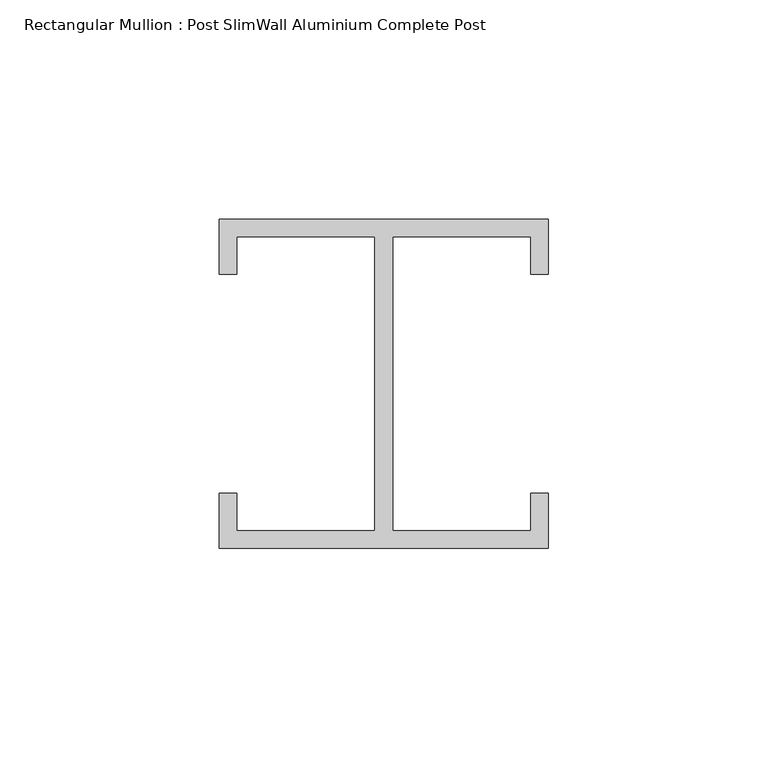
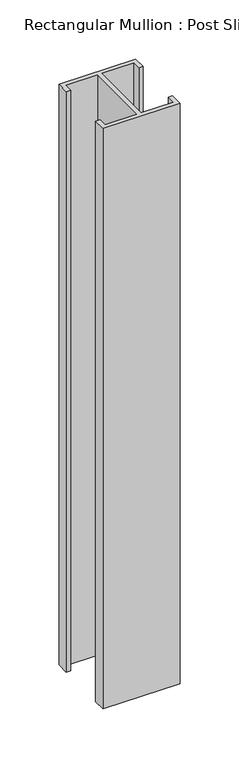
"""IFC4 building model written with IfcOpenShell, lengths in millimetres: member geometry, Rectangular Mullion : Post SlimWall Aluminium Complete Post."""

import ifcopenshell
import ifcopenshell.guid

model = None  # the IFC model being written
_history = None  # IfcOwnerHistory: only IFC2X3 demands one
_inside = {}  # id of a spatial element -> (the spatial element, [elements in it])
_under = {}  # id of a project, library or spatial element -> (it, [spatial elements below it])
_declared = {}  # id of a project -> (the project, [libraries it declares])
_typed = {}  # id of a type object -> (the type object, [elements of that type])
_made_of = {}  # id of a material, layer set ... -> (it, [elements and type objects made of it])


def new_model(schema):
    """Start an empty IFC model of exactly this schema.

    Asked for "IFC4X3", IfcOpenShell would pick the latest addendum, in which some entities
    have other attributes; the version numbers below select the first issue.
    IFC2X3 requires an IfcOwnerHistory on every rooted entity: one is made here for all.
    """
    global model, _history
    if schema == "IFC4X3":
        model = ifcopenshell.file(schema_version=(4, 3, 0, 0))
    else:
        model = ifcopenshell.file(schema=schema)
    _inside.clear()
    _under.clear()
    _declared.clear()
    _typed.clear()
    _made_of.clear()
    _history = None
    if model.schema == "IFC2X3":
        org = make("IfcOrganization", Name="unknown")
        user = make(
            "IfcPersonAndOrganization",
            ThePerson=make("IfcPerson", FamilyName="unknown"),
            TheOrganization=org,
        )
        app = make(
            "IfcApplication",
            ApplicationDeveloper=org,
            Version="unknown",
            ApplicationFullName="unknown",
            ApplicationIdentifier="unknown",
        )
        _history = make(
            "IfcOwnerHistory",
            OwningUser=user,
            OwningApplication=app,
            ChangeAction="ADDED",
            CreationDate=0,
        )
    return model


def make(cls, **values):
    """One entity of the class cls with the attributes given. An attribute that is None is left unset."""
    return model.create_entity(
        cls, **{name: value for name, value in values.items() if value is not None}
    )


def rooted(cls, **values):
    """An entity with a GlobalId (a new one), such as an element, a storey or a relation."""
    return make(cls, GlobalId=ifcopenshell.guid.new(), OwnerHistory=_history, **values)


def si_unit(unit_type, name, prefix=None):
    """IfcSIUnit, for example si_unit("LENGTHUNIT", "METRE", prefix="MILLI")."""
    return make("IfcSIUnit", UnitType=unit_type, Prefix=prefix, Name=name)


def assignment(units):
    """IfcUnitAssignment: the units of a project."""
    return None if units is None else make("IfcUnitAssignment", Units=units)


def point(xyz):
    """IfcCartesianPoint."""
    return None if xyz is None else make("IfcCartesianPoint", Coordinates=xyz)


def direction(xyz):
    """IfcDirection."""
    return None if xyz is None else make("IfcDirection", DirectionRatios=xyz)


def frame(location, z_axis=None, x_axis=None):
    """IfcAxis2Placement3D, a coordinate frame: its origin and axes. An axis left out is left unset."""
    return make(
        "IfcAxis2Placement3D",
        Location=point(location),
        Axis=direction(z_axis),
        RefDirection=direction(x_axis),
    )


def origin():
    """The frame at (0, 0, 0) with its axes left unset."""
    return frame((0.0, 0.0, 0.0))


def place(relative_to, where):
    """IfcLocalPlacement: puts the frame where relative to a parent placement (None: the world)."""
    return make(
        "IfcLocalPlacement", PlacementRelTo=relative_to, RelativePlacement=where
    )


def context(
    kind, dimensions, precision=None, world=None, true_north=None, identifier=None
):
    """IfcGeometricRepresentationContext, for example the 3D "Model" context."""
    return make(
        "IfcGeometricRepresentationContext",
        ContextIdentifier=identifier,
        ContextType=kind,
        CoordinateSpaceDimension=dimensions,
        Precision=precision,
        WorldCoordinateSystem=world,
        TrueNorth=true_north,
    )


def project(units=None, contexts=None):
    """IfcProject with its units and contexts."""
    return rooted(
        "IfcProject",
        Name="project",
        RepresentationContexts=contexts,
        UnitsInContext=assignment(units),
    )


def spatial(cls, under=None, at=None, **own):
    """A site, building, storey or space (cls), placed at a placement, below another one or the project."""
    s = rooted(cls, ObjectPlacement=at, **own)
    if under is not None:
        _under.setdefault(under.id(), (under, []))[1].append(s)
    return s


def polyline(points):
    """IfcPolyline through the points."""
    return make("IfcPolyline", Points=[point(p) for p in points])


def outline(outer, holes=None, kind="AREA"):
    """IfcArbitraryClosedProfileDef: a profile drawn as a closed curve; with holes, ...WithVoids."""
    if holes is None:
        return make("IfcArbitraryClosedProfileDef", ProfileType=kind, OuterCurve=outer)
    return make(
        "IfcArbitraryProfileDefWithVoids",
        ProfileType=kind,
        OuterCurve=outer,
        InnerCurves=holes,
    )


def extrude(swept, where, along, depth):
    """IfcExtrudedAreaSolid: the profile swept, set in the frame where, extruded along a direction by depth."""
    return make(
        "IfcExtrudedAreaSolid",
        SweptArea=swept,
        Position=where,
        ExtrudedDirection=direction(along),
        Depth=depth,
    )


def shape(context_of_items, identifier, shape_type, items):
    """IfcShapeRepresentation: the items that make up one representation, for example the "Body"."""
    return make(
        "IfcShapeRepresentation",
        ContextOfItems=context_of_items,
        RepresentationIdentifier=identifier,
        RepresentationType=shape_type,
        Items=items,
    )


def source(mapping_origin, context_of_items, identifier, shape_type, items):
    """IfcRepresentationMap: a shape defined once, which mapped items show again and again."""
    return make(
        "IfcRepresentationMap",
        MappingOrigin=mapping_origin,
        MappedRepresentation=shape(context_of_items, identifier, shape_type, items),
    )


def transform(
    local_origin,
    x_axis=None,
    y_axis=None,
    z_axis=None,
    scale=None,
    scale2=None,
    scale3=None,
    uniform=True,
):
    """IfcCartesianTransformationOperator3D, or its non-uniform kind. x_axis, y_axis, z_axis: its Axis1, 2, 3."""
    if uniform:
        return make(
            "IfcCartesianTransformationOperator3D",
            Axis1=direction(x_axis),
            Axis2=direction(y_axis),
            LocalOrigin=point(local_origin),
            Scale=scale,
            Axis3=direction(z_axis),
        )
    return make(
        "IfcCartesianTransformationOperator3DnonUniform",
        Axis1=direction(x_axis),
        Axis2=direction(y_axis),
        LocalOrigin=point(local_origin),
        Scale=scale,
        Axis3=direction(z_axis),
        Scale2=scale2,
        Scale3=scale3,
    )


def mapped(mapping_source, mapping_target):
    """IfcMappedItem: shows the shape of a source again, moved by a transform."""
    return make(
        "IfcMappedItem", MappingSource=mapping_source, MappingTarget=mapping_target
    )


def made_of(thing, what):
    """Note that an element or type object is made of a material, layer set ...; save() writes the relation."""
    if what is not None:
        _made_of.setdefault(what.id(), (what, []))[1].append(thing)
    return thing


def element(
    cls,
    number,
    at=None,
    inside=None,
    cuts=None,
    type_object=None,
    material=None,
    context=None,
    identifier="Body",
    shape_type=None,
    held_by="IfcProductDefinitionShape",
    body=None,
    shapes=None,
    **own,
):
    """One element of the class cls, such as IfcWall. Its Tag is "e" and its number.

    at: its placement. inside: the storey or other place that contains it. cuts: it is an
    opening in that element (IfcRelVoidsElement). A single representation is given by context,
    identifier, shape_type and body (its items); several are given by shapes. held_by: the class
    of the entity that holds the representations. save() writes the other relations.
    """
    e = rooted(cls, Tag="e%d" % number, ObjectPlacement=at, **own)
    if body is not None:
        shapes = [shape(context, identifier, shape_type, body)]
    if shapes is not None:
        e.Representation = make(held_by, Representations=shapes)
    if inside is not None:
        _inside.setdefault(inside.id(), (inside, []))[1].append(e)
    if cuts is not None:
        rooted(
            "IfcRelVoidsElement", RelatingBuildingElement=cuts, RelatedOpeningElement=e
        )
    if type_object is not None:
        _typed.setdefault(type_object.id(), (type_object, []))[1].append(e)
    return made_of(e, material)


def aggregate(whole, parts):
    """IfcRelAggregates: a whole, such as a stair, and the parts it consists of."""
    return rooted("IfcRelAggregates", RelatingObject=whole, RelatedObjects=parts)


def save(model, path):
    """Write the relations noted so far, then the file.

    IfcRelAggregates (storeys below a building ...), IfcRelContainedInSpatialStructure (elements
    in a storey), IfcRelDefinesByType, IfcRelAssociatesMaterial and IfcRelDeclares: one each for
    every whole, place, type object, material and project.
    """
    for whole, parts in _under.values():
        aggregate(whole, parts)
    for where, things in _inside.values():
        rooted(
            "IfcRelContainedInSpatialStructure",
            RelatedElements=things,
            RelatingStructure=where,
        )
    for kind, things in _typed.values():
        rooted("IfcRelDefinesByType", RelatedObjects=things, RelatingType=kind)
    for what, things in _made_of.values():
        rooted("IfcRelAssociatesMaterial", RelatedObjects=things, RelatingMaterial=what)
    for by, libraries in _declared.values():
        rooted("IfcRelDeclares", RelatingContext=by, RelatedDefinitions=libraries)
    model.write(path)


def rectangular_mullion_post_slimwall_aluminium_complete_post_ff4a3f87(model_context):
    return source(origin(), model_context, "Body", "SweptSolid", [
        extrude(outline(polyline([(-71.0, 33.5), (-71.0, 25.0), (-75.0, 25.0), (-75.0, 37.5), (0.0, 37.5), (0.0, 25.0), (-4.0, 25.0), (-4.0, 33.5), (-35.5, 33.5), (-35.5, -33.5), (-4.0, -33.5), (-4.0, -25.0), (0.0, -25.0), (0.0, -37.5), (-75.0, -37.5), (-75.0, -25.0), (-71.0, -25.0), (-71.0, -33.5), (-39.5, -33.5), (-39.5, 33.5), (-71.0, 33.5)])), frame((0.0, 0.0, -600.0), z_axis=(0.0, 0.0, 1.0), x_axis=(1.0, 0.0, 0.0)), (0.0, 0.0, 1.0), 600.0),
    ])


if __name__ == "__main__":
    model = new_model("IFC4")
    model_context = context("Model", 3, world=origin())
    ifc_project = project(units=[si_unit("LENGTHUNIT", "METRE", prefix="MILLI")], contexts=[model_context])
    site = spatial("IfcSite", under=ifc_project)
    building = spatial("IfcBuilding", under=site)
    placement = place(None, origin())
    rectangular_mullion_post_slimwall_aluminium_complete_post_shape = rectangular_mullion_post_slimwall_aluminium_complete_post_ff4a3f87(model_context)
    element("IfcMember", 1, ObjectType="Rectangular Mullion : Post SlimWall Aluminium Complete Post", at=placement, inside=building, context=model_context, shape_type="MappedRepresentation", body=[
        mapped(rectangular_mullion_post_slimwall_aluminium_complete_post_shape, transform((0.0, 0.0, 0.0), x_axis=(1.0, 0.0, 0.0), y_axis=(0.0, 1.0, 0.0), z_axis=(0.0, 0.0, 1.0))),
    ])
    save(model, "model.ifc")
